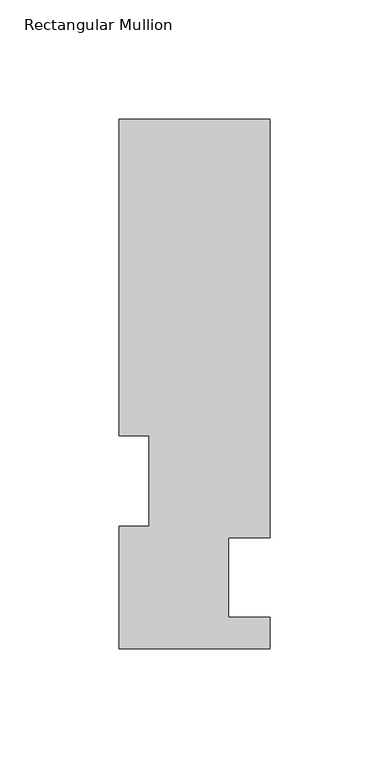
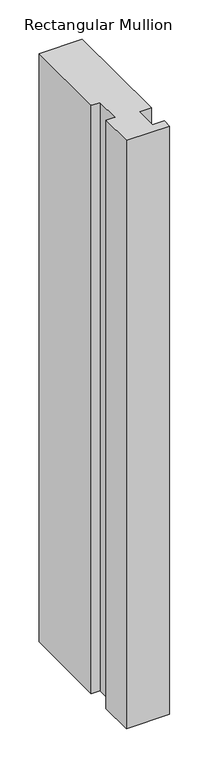
"""IFC4 building model written with IfcOpenShell, lengths in millimetres: member geometry, Rectangular Mullion."""

from ifc_helpers import new_model, si_unit, frame, origin, place, context, project, spatial, polyline, outline, extrude, source, transform, mapped, element, save


def rectangular_mullion_c73b2ebd(model_context):
    return source(origin(), model_context, "Body", "SweptSolid", [
        extrude(outline(polyline([(-31.75, 222.5381313), (31.7500001, 222.5381313), (31.7500001, 46.7447312), (14.2748001, 46.7447312), (14.2748001, 13.3945313), (31.75, 13.3945313), (31.75, 0.2119313), (-31.7595098, 0.2119313), (-31.7595098, 51.4945312), (-19.05, 51.4945312), (-19.05, 89.5945312), (-31.75, 89.5945312), (-31.75, 222.5381313)])), frame((0.0, 0.0, -914.4), z_axis=(0.0, 0.0, 1.0), x_axis=(1.0, 0.0, 0.0)), (0.0, 0.0, 1.0), 914.4),
    ])


if __name__ == "__main__":
    model = new_model("IFC4")
    model_context = context("Model", 3, world=origin())
    ifc_project = project(units=[si_unit("LENGTHUNIT", "METRE", prefix="MILLI")], contexts=[model_context])
    site = spatial("IfcSite", under=ifc_project)
    building = spatial("IfcBuilding", under=site)
    placement = place(None, origin())
    rectangular_mullion_shape = rectangular_mullion_c73b2ebd(model_context)
    element("IfcMember", 1, ObjectType="Rectangular Mullion", at=placement, inside=building, context=model_context, shape_type="MappedRepresentation", body=[
        mapped(rectangular_mullion_shape, transform((0.0, 0.0, 0.0), x_axis=(1.0, 0.0, 0.0), y_axis=(0.0, 1.0, 0.0), z_axis=(0.0, 0.0, 1.0))),
    ])
    save(model, "model.ifc")
